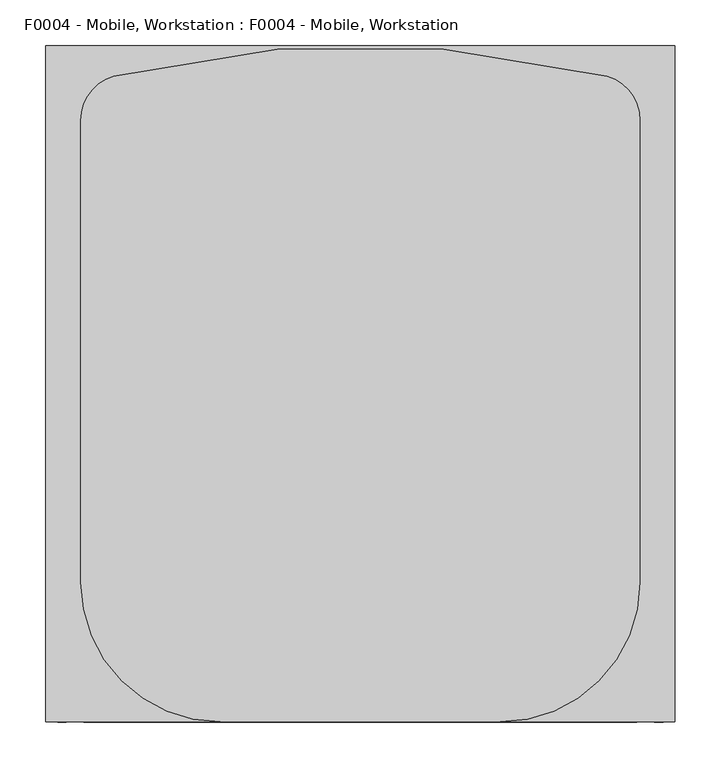
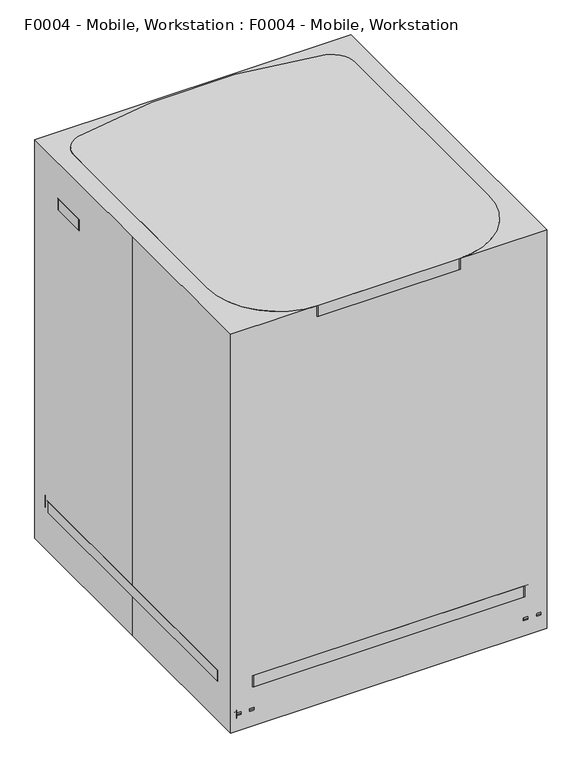
"""IFC4 building model written with IfcOpenShell, lengths in millimetres: proxy geometry, F0004 - Mobile, Workstation : F0004 - Mobile, Workstation."""

from ifc_helpers import new_model, si_unit, point, frame, frame_2d, origin, origin_with_axes, origin_2d, place, context, project, spatial, polyline, circle_curve, trimmed, segment, composite_curve, outline, extrude, source, transform, mapped, element, save


def f0004_mobile_workstation_f0004_mobile_workstation_7d8066fb(model_context):
    return source(origin(), model_context, "Body", "SweptSolid", [
        extrude(outline(polyline([(869.95, 120.65), (889.0, 120.65), (889.0, 101.5174866), (869.95, 101.5174866), (869.95, 107.8674866), (876.3, 107.8674866), (876.3, 104.7337433), (885.807752, 104.7337433), (885.807752, 117.4337433), (876.3, 117.4337433), (876.3, 114.3), (869.95, 114.3), (869.95, 120.65)])), frame((0.0, 0.0, 0.0), z_axis=(0.0, 1.0, 0.0), x_axis=(0.0, 0.0, 1.0)), (0.0, 0.0, 1.0), 266.7),
        extrude(outline(polyline([(869.95, -120.65), (869.95, -114.3), (876.3, -114.3), (876.3, -117.4337433), (885.807752, -117.4337433), (885.807752, -104.7337433), (876.3, -104.7337433), (876.3, -107.8674866), (869.95, -107.8674866), (869.95, -101.5174866), (889.0, -101.5174866), (889.0, -120.65), (869.95, -120.65)])), frame((0.0, 0.0, 0.0), z_axis=(0.0, 1.0, 0.0), x_axis=(0.0, 0.0, 1.0)), (0.0, 0.0, 1.0), 266.7),
        extrude(outline(polyline([(881.053876, 104.7337433), (876.3, 104.7337433), (876.3, 107.8674866), (806.45, 107.8674866), (806.45, 104.7337433), (796.942248, 104.7337433), (796.942248, 117.4337433), (806.45, 117.4337433), (806.45, 114.3), (876.3, 114.3), (876.3, 117.4337433), (881.053876, 117.4337433), (881.053876, 104.7337433)])), frame((0.0, 28.4245838, 0.0), z_axis=(0.0, 1.0, 0.0), x_axis=(0.0, 0.0, 1.0)), (0.0, 0.0, 1.0), 22.3754162),
        extrude(outline(polyline([(117.4337433, 304.5325855), (117.4337433, 50.8), (104.7337433, 50.8), (104.7337433, 304.5325855), (117.4337433, 304.5325855)])), frame((0.0, 0.0, 796.942248), z_axis=(0.0, 0.0, 1.0), x_axis=(1.0, 0.0, 0.0)), (0.0, 0.0, 1.0), 9.507752),
        extrude(outline(polyline([(-104.7337433, 304.5325855), (-104.7337433, 50.8), (-117.4337433, 50.8), (-117.4337433, 304.5325855), (-104.7337433, 304.5325855)])), frame((0.0, 0.0, 796.942248), z_axis=(0.0, 0.0, 1.0), x_axis=(1.0, 0.0, 0.0)), (0.0, 0.0, 1.0), 9.507752),
        extrude(outline(composite_curve([segment(polyline([(190.5, 50.8), (-190.5, 50.8)]), True, "CONTINUOUS"), segment(trimmed(circle_curve(frame_2d((-190.5, 203.2)), 152.4), [point((-190.5, 50.8))], [point((-342.9, 203.2))], False, "CARTESIAN"), True, "CONTINUOUS"), segment(polyline([(-342.9, 203.2), (-342.9, 279.4)]), True, "CONTINUOUS"), segment(trimmed(circle_curve(frame_2d((-266.7, 279.4)), 76.2), [point((-342.9, 279.4))], [point((-266.7, 355.6))], False, "CARTESIAN"), True, "CONTINUOUS"), segment(polyline([(-266.7, 355.6), (266.7, 355.6)]), True, "CONTINUOUS"), segment(trimmed(circle_curve(frame_2d((266.7, 279.4)), 76.2), [point((266.7, 355.6))], [point((342.9, 279.4))], False, "CARTESIAN"), True, "CONTINUOUS"), segment(polyline([(342.9, 279.4), (342.9, 203.2)]), True, "CONTINUOUS"), segment(trimmed(circle_curve(frame_2d((190.5, 203.2)), 152.4), [point((342.9, 203.2))], [point((190.5, 50.8))], False, "CARTESIAN"), True, "CONTINUOUS")], self_intersect=False)), frame((0.0, 0.0, 806.45), z_axis=(0.0, 0.0, 1.0), x_axis=(1.0, 0.0, 0.0)), (0.0, 0.0, 1.0), 25.4),
        extrude(outline(polyline([(881.053876, -104.7337433), (881.053876, -117.4337433), (876.3, -117.4337433), (876.3, -114.3), (806.45, -114.3), (806.45, -117.4337433), (796.942248, -117.4337433), (796.942248, -104.7337433), (806.45, -104.7337433), (806.45, -107.8674866), (876.3, -107.8674866), (876.3, -104.7337433), (881.053876, -104.7337433)])), frame((0.0, 28.4245838, 0.0), z_axis=(0.0, 1.0, 0.0), x_axis=(0.0, 0.0, 1.0)), (0.0, 0.0, 1.0), 22.3754162),
        extrude(outline(composite_curve([segment(trimmed(circle_curve(frame_2d((-311.15, -327.1595017)), 9.525), [point((-301.625, -327.1595017))], [point((-320.675, -327.1595017))], False, "CARTESIAN"), True, "CONTINUOUS"), segment(trimmed(circle_curve(frame_2d((-311.15, -327.1595017)), 9.525), [point((-320.675, -327.1595017))], [point((-301.625, -327.1595017))], False, "CARTESIAN"), True, "CONTINUOUS")], self_intersect=False)), frame((0.0, 0.0, 38.9774203), z_axis=(0.0, 0.0, 1.0), x_axis=(1.0, 0.0, 0.0)), (0.0, 0.0, 1.0), 49.9225797),
        extrude(outline(composite_curve([segment(trimmed(circle_curve(frame_2d((-330.2, 38.1)), 38.1), [point((-368.3, 38.1))], [point((-292.1, 38.1))], False, "CARTESIAN"), True, "CONTINUOUS"), segment(trimmed(circle_curve(frame_2d((-330.2, 38.1)), 38.1), [point((-292.1, 38.1))], [point((-368.3, 38.1))], False, "CARTESIAN"), True, "CONTINUOUS")], self_intersect=False)), frame((-301.625, 0.0, 0.0), z_axis=(1.0, 0.0, 0.0), x_axis=(0.0, 1.0, 0.0)), (0.0, 0.0, 1.0), 9.525),
        extrude(outline(composite_curve([segment(trimmed(circle_curve(frame_2d((-330.2623599, 38.1)), 19.05), [point((-349.3123599, 38.1))], [point((-311.2123599, 38.1))], False, "CARTESIAN"), True, "CONTINUOUS"), segment(trimmed(circle_curve(frame_2d((-330.2623599, 38.1)), 19.05), [point((-311.2123599, 38.1))], [point((-349.3123599, 38.1))], False, "CARTESIAN"), True, "CONTINUOUS")], self_intersect=False)), frame((-320.675, 0.0, 0.0), z_axis=(1.0, 0.0, 0.0), x_axis=(0.0, 1.0, 0.0)), (0.0, 0.0, 1.0), 19.05),
        extrude(outline(composite_curve([segment(trimmed(circle_curve(frame_2d((-330.2, 38.1)), 38.1), [point((-368.3, 38.1))], [point((-292.1, 38.1))], False, "CARTESIAN"), True, "CONTINUOUS"), segment(trimmed(circle_curve(frame_2d((-330.2, 38.1)), 38.1), [point((-292.1, 38.1))], [point((-368.3, 38.1))], False, "CARTESIAN"), True, "CONTINUOUS")], self_intersect=False)), frame((-330.2, 0.0, 0.0), z_axis=(1.0, 0.0, 0.0), x_axis=(0.0, 1.0, 0.0)), (0.0, 0.0, 1.0), 9.525),
        extrude(outline(composite_curve([segment(trimmed(circle_curve(frame_2d((-311.15, 327.1595017)), 9.525), [point((-301.625, 327.1595017))], [point((-320.675, 327.1595017))], False, "CARTESIAN"), True, "CONTINUOUS"), segment(trimmed(circle_curve(frame_2d((-311.15, 327.1595017)), 9.525), [point((-320.675, 327.1595017))], [point((-301.625, 327.1595017))], False, "CARTESIAN"), True, "CONTINUOUS")], self_intersect=False)), frame((0.0, 0.0, 38.9774203), z_axis=(0.0, 0.0, 1.0), x_axis=(1.0, 0.0, 0.0)), (0.0, 0.0, 1.0), 49.9225797),
        extrude(outline(composite_curve([segment(trimmed(circle_curve(frame_2d((330.2, 38.1)), 38.1), [point((368.3, 38.1))], [point((292.1, 38.1))], False, "CARTESIAN"), True, "CONTINUOUS"), segment(trimmed(circle_curve(frame_2d((330.2, 38.1)), 38.1), [point((292.1, 38.1))], [point((368.3, 38.1))], False, "CARTESIAN"), True, "CONTINUOUS")], self_intersect=False)), frame((-301.625, 0.0, 0.0), z_axis=(1.0, 0.0, 0.0), x_axis=(0.0, 1.0, 0.0)), (0.0, 0.0, 1.0), 9.525),
        extrude(outline(composite_curve([segment(trimmed(circle_curve(frame_2d((330.2623599, 38.1)), 19.05), [point((349.3123599, 38.1))], [point((311.2123599, 38.1))], False, "CARTESIAN"), True, "CONTINUOUS"), segment(trimmed(circle_curve(frame_2d((330.2623599, 38.1)), 19.05), [point((311.2123599, 38.1))], [point((349.3123599, 38.1))], False, "CARTESIAN"), True, "CONTINUOUS")], self_intersect=False)), frame((-320.675, 0.0, 0.0), z_axis=(1.0, 0.0, 0.0), x_axis=(0.0, 1.0, 0.0)), (0.0, 0.0, 1.0), 19.05),
        extrude(outline(composite_curve([segment(trimmed(circle_curve(frame_2d((330.2, 38.1)), 38.1), [point((368.3, 38.1))], [point((292.1, 38.1))], False, "CARTESIAN"), True, "CONTINUOUS"), segment(trimmed(circle_curve(frame_2d((330.2, 38.1)), 38.1), [point((292.1, 38.1))], [point((368.3, 38.1))], False, "CARTESIAN"), True, "CONTINUOUS")], self_intersect=False)), frame((-330.2, 0.0, 0.0), z_axis=(1.0, 0.0, 0.0), x_axis=(0.0, 1.0, 0.0)), (0.0, 0.0, 1.0), 9.525),
        extrude(outline(composite_curve([segment(trimmed(circle_curve(frame_2d((311.15, -327.1595017)), 9.525), [point((301.625, -327.1595017))], [point((320.675, -327.1595017))], False, "CARTESIAN"), True, "CONTINUOUS"), segment(trimmed(circle_curve(frame_2d((311.15, -327.1595017)), 9.525), [point((320.675, -327.1595017))], [point((301.625, -327.1595017))], False, "CARTESIAN"), True, "CONTINUOUS")], self_intersect=False)), frame((0.0, 0.0, 38.9774203), z_axis=(0.0, 0.0, 1.0), x_axis=(1.0, 0.0, 0.0)), (0.0, 0.0, 1.0), 49.9225797),
        extrude(outline(composite_curve([segment(trimmed(circle_curve(frame_2d((-330.2, 38.1)), 38.1), [point((-368.3, 38.1))], [point((-292.1, 38.1))], False, "CARTESIAN"), True, "CONTINUOUS"), segment(trimmed(circle_curve(frame_2d((-330.2, 38.1)), 38.1), [point((-292.1, 38.1))], [point((-368.3, 38.1))], False, "CARTESIAN"), True, "CONTINUOUS")], self_intersect=False)), frame((292.1, 0.0, 0.0), z_axis=(1.0, 0.0, 0.0), x_axis=(0.0, 1.0, 0.0)), (0.0, 0.0, 1.0), 9.525),
        extrude(outline(composite_curve([segment(trimmed(circle_curve(frame_2d((-330.2623599, 38.1)), 19.05), [point((-349.3123599, 38.1))], [point((-311.2123599, 38.1))], False, "CARTESIAN"), True, "CONTINUOUS"), segment(trimmed(circle_curve(frame_2d((-330.2623599, 38.1)), 19.05), [point((-311.2123599, 38.1))], [point((-349.3123599, 38.1))], False, "CARTESIAN"), True, "CONTINUOUS")], self_intersect=False)), frame((301.625, 0.0, 0.0), z_axis=(1.0, 0.0, 0.0), x_axis=(0.0, 1.0, 0.0)), (0.0, 0.0, 1.0), 19.05),
        extrude(outline(composite_curve([segment(trimmed(circle_curve(frame_2d((-330.2, 38.1)), 38.1), [point((-368.3, 38.1))], [point((-292.1, 38.1))], False, "CARTESIAN"), True, "CONTINUOUS"), segment(trimmed(circle_curve(frame_2d((-330.2, 38.1)), 38.1), [point((-292.1, 38.1))], [point((-368.3, 38.1))], False, "CARTESIAN"), True, "CONTINUOUS")], self_intersect=False)), frame((320.675, 0.0, 0.0), z_axis=(1.0, 0.0, 0.0), x_axis=(0.0, 1.0, 0.0)), (0.0, 0.0, 1.0), 9.525),
        extrude(outline(composite_curve([segment(trimmed(circle_curve(frame_2d((311.15, 327.1595017)), 9.525), [point((301.625, 327.1595017))], [point((320.675, 327.1595017))], False, "CARTESIAN"), True, "CONTINUOUS"), segment(trimmed(circle_curve(frame_2d((311.15, 327.1595017)), 9.525), [point((320.675, 327.1595017))], [point((301.625, 327.1595017))], False, "CARTESIAN"), True, "CONTINUOUS")], self_intersect=False)), frame((0.0, 0.0, 38.9774203), z_axis=(0.0, 0.0, 1.0), x_axis=(1.0, 0.0, 0.0)), (0.0, 0.0, 1.0), 49.9225797),
        extrude(outline(composite_curve([segment(trimmed(circle_curve(frame_2d((330.2, 38.1)), 38.1), [point((368.3, 38.1))], [point((292.1, 38.1))], False, "CARTESIAN"), True, "CONTINUOUS"), segment(trimmed(circle_curve(frame_2d((330.2, 38.1)), 38.1), [point((292.1, 38.1))], [point((368.3, 38.1))], False, "CARTESIAN"), True, "CONTINUOUS")], self_intersect=False)), frame((292.1, 0.0, 0.0), z_axis=(1.0, 0.0, 0.0), x_axis=(0.0, 1.0, 0.0)), (0.0, 0.0, 1.0), 9.525),
        extrude(outline(composite_curve([segment(trimmed(circle_curve(frame_2d((330.2623599, 38.1)), 19.05), [point((349.3123599, 38.1))], [point((311.2123599, 38.1))], False, "CARTESIAN"), True, "CONTINUOUS"), segment(trimmed(circle_curve(frame_2d((330.2623599, 38.1)), 19.05), [point((311.2123599, 38.1))], [point((349.3123599, 38.1))], False, "CARTESIAN"), True, "CONTINUOUS")], self_intersect=False)), frame((301.625, 0.0, 0.0), z_axis=(1.0, 0.0, 0.0), x_axis=(0.0, 1.0, 0.0)), (0.0, 0.0, 1.0), 19.05),
        extrude(outline(composite_curve([segment(trimmed(circle_curve(frame_2d((330.2, 38.1)), 38.1), [point((368.3, 38.1))], [point((292.1, 38.1))], False, "CARTESIAN"), True, "CONTINUOUS"), segment(trimmed(circle_curve(frame_2d((330.2, 38.1)), 38.1), [point((292.1, 38.1))], [point((368.3, 38.1))], False, "CARTESIAN"), True, "CONTINUOUS")], self_intersect=False)), frame((320.675, 0.0, 0.0), z_axis=(1.0, 0.0, 0.0), x_axis=(0.0, 1.0, 0.0)), (0.0, 0.0, 1.0), 9.525),
        extrude(outline(composite_curve([segment(polyline([(292.1, -368.3), (-292.1, -368.3)]), True, "CONTINUOUS"), segment(trimmed(circle_curve(frame_2d((-292.1, -317.5)), 50.8), [point((-292.1, -368.3))], [point((-342.9, -317.5))], False, "CARTESIAN"), True, "CONTINUOUS"), segment(polyline([(-342.9, -317.5), (-342.9, 317.5)]), True, "CONTINUOUS"), segment(trimmed(circle_curve(frame_2d((-292.1, 317.5)), 50.8), [point((-342.9, 317.5))], [point((-292.1, 368.3))], False, "CARTESIAN"), True, "CONTINUOUS"), segment(polyline([(-292.1, 368.3), (292.1, 368.3)]), True, "CONTINUOUS"), segment(trimmed(circle_curve(frame_2d((292.1, 317.5)), 50.8), [point((292.1, 368.3))], [point((342.9, 317.5))], False, "CARTESIAN"), True, "CONTINUOUS"), segment(polyline([(342.9, 317.5), (342.9, -317.5)]), True, "CONTINUOUS"), segment(trimmed(circle_curve(frame_2d((292.1, -317.5)), 50.8), [point((342.9, -317.5))], [point((292.1, -368.3))], False, "CARTESIAN"), True, "CONTINUOUS")], self_intersect=False)), frame((0.0, 0.0, 88.9), z_axis=(0.0, 0.0, 1.0), x_axis=(1.0, 0.0, 0.0)), (0.0, 0.0, 1.0), 25.4),
        extrude(outline(composite_curve([segment(trimmed(circle_curve(origin_2d(), 31.75), [point((-31.75, 0.0))], [point((31.75, 0.0))], False, "CARTESIAN"), True, "CONTINUOUS"), segment(trimmed(circle_curve(origin_2d(), 31.75), [point((31.75, 0.0))], [point((-31.75, 0.0))], False, "CARTESIAN"), True, "CONTINUOUS")], self_intersect=False)), frame((0.0, 0.0, 609.6), z_axis=(0.0, 0.0, 1.0), x_axis=(1.0, 0.0, 0.0)), (0.0, 0.0, 1.0), 279.4),
        extrude(outline(composite_curve([segment(trimmed(circle_curve(origin_2d(), 50.8), [point((-50.8, 0.0))], [point((50.8, 0.0))], False, "CARTESIAN"), True, "CONTINUOUS"), segment(trimmed(circle_curve(origin_2d(), 50.8), [point((50.8, 0.0))], [point((-50.8, 0.0))], False, "CARTESIAN"), True, "CONTINUOUS")], self_intersect=False)), frame((0.0, 0.0, 114.3), z_axis=(0.0, 0.0, 1.0), x_axis=(1.0, 0.0, 0.0)), (0.0, 0.0, 1.0), 495.3),
        extrude(outline(composite_curve([segment(polyline([(152.4, -368.3), (-152.4, -368.3)]), True, "CONTINUOUS"), segment(trimmed(circle_curve(frame_2d((-152.4, -215.9)), 152.4), [point((-152.4, -368.3))], [point((-304.8, -215.9))], False, "CARTESIAN"), True, "CONTINUOUS"), segment(polyline([(-304.8, -215.9), (-304.8, 286.907466)]), True, "CONTINUOUS"), segment(trimmed(circle_curve(frame_2d((-254.0, 286.907466)), 50.8), [point((-304.8, 286.907466))], [point((-268.8356477, 335.4928913))], False, "CARTESIAN"), True, "CONTINUOUS"), segment(trimmed(circle_curve(frame_2d((0.0, -749.5813806)), 1117.8813806), [point((-268.8356477, 335.4928913))], [point((268.8356477, 335.4928913))], False, "CARTESIAN"), True, "CONTINUOUS"), segment(trimmed(circle_curve(frame_2d((254.0, 286.907466)), 50.8), [point((268.8356477, 335.4928913))], [point((304.8, 286.907466))], False, "CARTESIAN"), True, "CONTINUOUS"), segment(polyline([(304.8, 286.907466), (304.8, -215.9)]), True, "CONTINUOUS"), segment(trimmed(circle_curve(frame_2d((152.4, -215.9)), 152.4), [point((304.8, -215.9))], [point((152.4, -368.3))], False, "CARTESIAN"), True, "CONTINUOUS")], self_intersect=False)), frame((0.0, 0.0, 889.0), z_axis=(0.0, 0.0, 1.0), x_axis=(1.0, 0.0, 0.0)), (0.0, 0.0, 1.0), 25.4),
        extrude(outline(polyline([(-342.9, -368.3), (-342.9, 0.0), (-342.9, 368.3), (342.9, 368.3), (342.9, -368.3), (-342.9, -368.3)])), origin_with_axes(), (0.0, 0.0, 1.0), 914.4),
    ])


if __name__ == "__main__":
    model = new_model("IFC4")
    model_context = context("Model", 3, world=origin())
    ifc_project = project(units=[si_unit("LENGTHUNIT", "METRE", prefix="MILLI")], contexts=[model_context])
    site = spatial("IfcSite", under=ifc_project)
    building = spatial("IfcBuilding", under=site)
    placement = place(None, origin())
    f0004_mobile_workstation_f0004_mobile_workstation_shape = f0004_mobile_workstation_f0004_mobile_workstation_7d8066fb(model_context)
    element("IfcBuildingElementProxy", 1, Name="F0004 - Mobile, Workstation : F0004 - Mobile, Workstation", ObjectType="F0004 - Mobile, Workstation : F0004 - Mobile, Workstation", at=placement, inside=building, context=model_context, shape_type="MappedRepresentation", body=[
        mapped(f0004_mobile_workstation_f0004_mobile_workstation_shape, transform((0.0, 0.0, 0.0), x_axis=(1.0, 0.0, 0.0), y_axis=(0.0, 1.0, 0.0), z_axis=(0.0, 0.0, 1.0))),
    ])
    save(model, "model.ifc")
